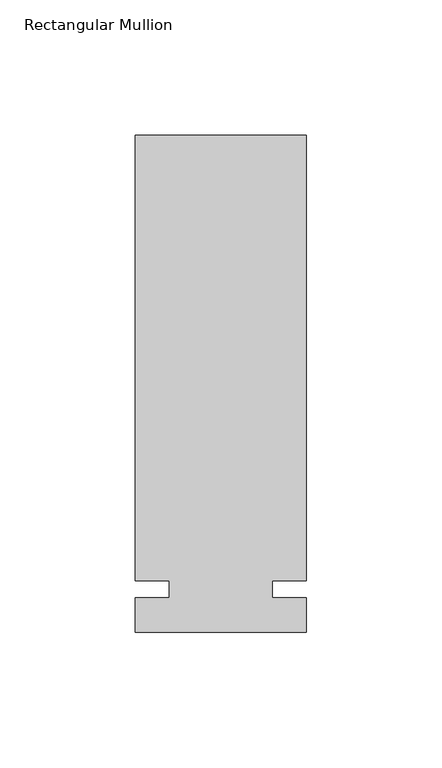
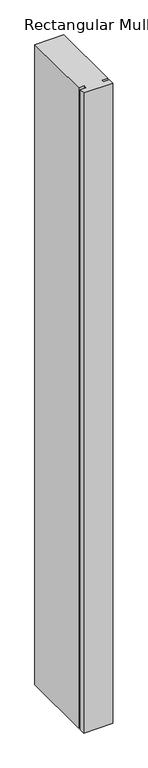
"""IFC4 building model written with IfcOpenShell, lengths in millimetres: member geometry, Rectangular Mullion."""

from ifc_helpers import new_model, si_unit, frame, origin, place, context, project, spatial, polyline, outline, extrude, source, transform, mapped, element, save


def rectangular_mullion_7d42e633(model_context):
    return source(origin(), model_context, "Body", "SweptSolid", [
        extrude(outline(polyline([(36.0844027, 168.275), (36.0844027, 3.175), (23.3826322, 3.175), (23.3826322, -3.175), (36.0844027, -3.175), (36.0844027, -15.875), (-27.4155973, -15.875), (-27.4155973, -3.175), (-14.7155973, -3.175), (-14.7155973, 3.175), (-27.4155973, 3.175), (-27.4155973, 168.275), (36.0844027, 168.275)])), frame((0.0, 0.0, -1478.28), z_axis=(0.0, 0.0, 1.0), x_axis=(1.0, 0.0, 0.0)), (0.0, 0.0, 1.0), 1478.28),
    ])


if __name__ == "__main__":
    model = new_model("IFC4")
    model_context = context("Model", 3, world=origin())
    ifc_project = project(units=[si_unit("LENGTHUNIT", "METRE", prefix="MILLI")], contexts=[model_context])
    site = spatial("IfcSite", under=ifc_project)
    building = spatial("IfcBuilding", under=site)
    placement = place(None, origin())
    rectangular_mullion_shape = rectangular_mullion_7d42e633(model_context)
    element("IfcMember", 1, ObjectType="Rectangular Mullion", at=placement, inside=building, context=model_context, shape_type="MappedRepresentation", body=[
        mapped(rectangular_mullion_shape, transform((0.0, 0.0, 0.0), x_axis=(1.0, 0.0, 0.0), y_axis=(0.0, 1.0, 0.0), z_axis=(0.0, 0.0, 1.0))),
    ])
    save(model, "model.ifc")
